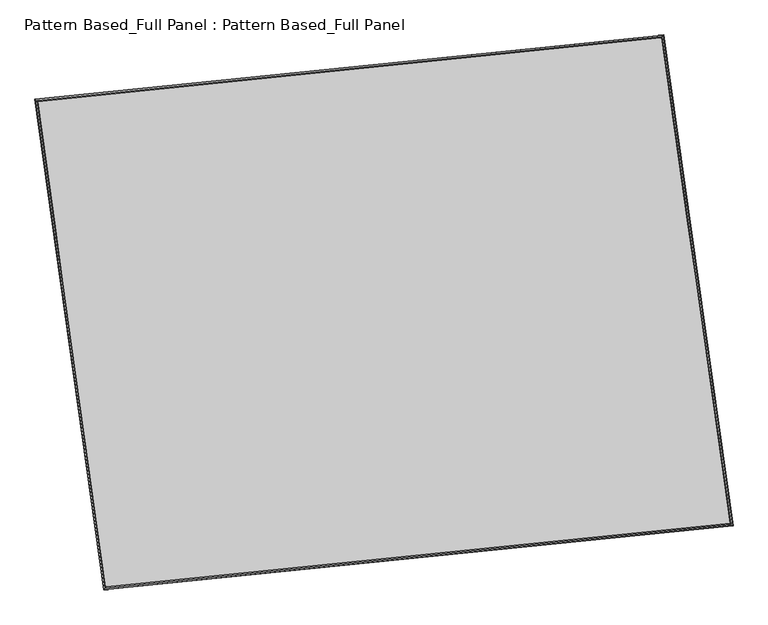
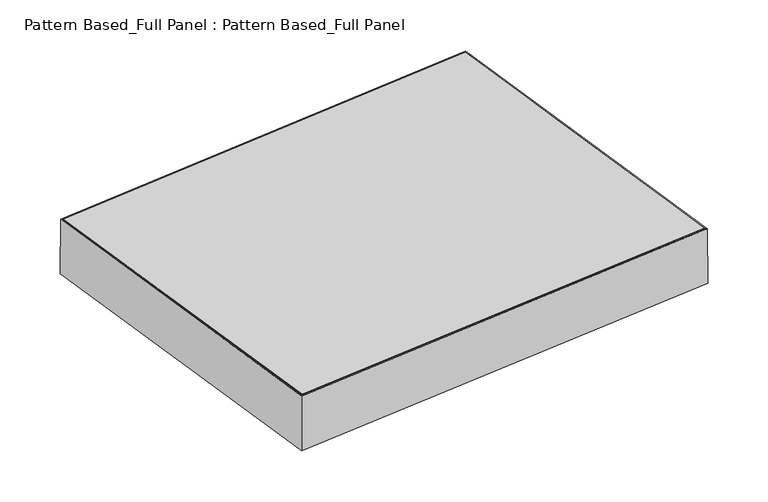
"""IFC4 building model written with IfcOpenShell, lengths in millimetres: plate geometry, Pattern Based_Full Panel : Pattern Based_Full Panel."""

from ifc_helpers import new_model, si_unit, frame, origin, place, context, project, spatial, faceted_brep, source, transform, mapped, element, save
from ifc_brep_helpers import plane_surface, spline_surface, advanced_brep


def pattern_based_full_panel_pattern_based_full_panel_ca952770(model_context):
    return source(origin(), model_context, "Body", "SolidModel", [
        advanced_brep(
        [(3777.039676, 5056.9698812, -153.2705213), (5209.3619872, 5203.966861, -151.5287946), (5209.362046, 5203.966871, -154.7037946), (3777.0397348, 5056.9698912, -156.4455213), (3930.9329609, 3957.4291649, -151.5570357), (3930.9330197, 3957.4291749, -154.7320357), (5365.0199766, 4104.1276705, -153.2427373), (5365.0200354, 4104.1276805, -156.4177373)],
        [
            (0, 1),
            (1, 2),
            (2, 3),
            (3, 0),
            (4, 0),
            (3, 5),
            (5, 4),
            (6, 4),
            (5, 7),
            (7, 6),
            (1, 6),
            (7, 2),
        ],
        [
            plane_surface(frame((4493.2008316, 5130.4683711, -152.3996579), z_axis=(-0.10209218494024018, 0.9947749422721633, 1.2417829933711734e-06), x_axis=(0.9947742146086592, 0.10209210875125448, 0.0012096612944616663))),
            plane_surface(frame((3853.9863185, 4507.1995231, -152.4137785), z_axis=(-0.9903469874018618, -0.13861040434131797, -1.877213499457348e-05), x_axis=(-0.13861021060019868, 0.9903458121688681, -0.001543320107287381))),
            plane_surface(frame((4647.9764688, 4030.7784177, -152.3998865), z_axis=(0.10176296290931029, -0.9948086747603085, -1.247984562789895e-06), x_axis=(-0.9948079944721085, -0.1017628947868521, 0.0011693498114460595))),
            plane_surface(frame((5287.1909819, 4654.0472657, -152.3857659), z_axis=(0.9901329077998874, 0.14013145449654058, 1.8772960324407305e-05), x_axis=(0.1401313163901811, -0.9901317252678143, -0.0015429792404631343))),
            spline_surface(1, 1, [[(5365.0200354, 4104.1276805, -156.4177373), (5209.362046, 5203.966871, -154.7037946)], [(3930.9330197, 3957.4291749, -154.7320357), (3777.0397348, 5056.9698912, -156.4455213)]], [2, 2], [2, 2], [0.0, 1.0], [0.0, 1.0]),
            spline_surface(1, 1, [[(3777.039676, 5056.9698812, -153.2705213), (5209.3619872, 5203.966861, -151.5287946)], [(3930.9329609, 3957.4291649, -151.5570357), (5365.0199766, 4104.1276705, -153.2427373)]], [2, 2], [2, 2], [0.0, 1.0], [0.0, 1.0]),
        ],
        [
            (0, [[1, 2, 3, 4]]),
            (1, [[5, -4, 6, 7]]),
            (2, [[8, -7, 9, 10]]),
            (3, [[11, -10, 12, -2]]),
            (4, [[-12, -9, -6, -3]]),
            (5, [[-1, -5, -8, -11]]),
        ],
    ),
        advanced_brep(
        [(3734.0295721, 5091.086415, -0.9788716), (5242.1462023, 5245.3619841, 0.9788723), (5242.1466735, 5245.3620505, -24.4211277), (3734.0300433, 5091.0864814, -26.3788716), (3898.5038212, 3915.837374, 0.949301), (3898.5042925, 3915.8374403, -24.450699), (5408.4530657, 4070.2983356, -0.9493033), (5408.4535369, 4070.298402, -26.3493033)],
        [
            (0, 1),
            (1, 2),
            (2, 3),
            (3, 0),
            (4, 0),
            (3, 5),
            (5, 4),
            (6, 4),
            (5, 7),
            (7, 6),
            (1, 6),
            (7, 2),
        ],
        [
            plane_surface(frame((4488.0878872, 5168.2241996, 4e-07), z_axis=(-0.10176575783319988, 0.9948083888529125, 7.121781230615099e-07), x_axis=(0.994807559421372, 0.10176567206046667, 0.001291397760221423))),
            plane_surface(frame((3816.2666967, 4503.4618945, -0.0147853), z_axis=(-0.9903487547304375, -0.13859777650763389, -1.873530368223523e-05), x_axis=(-0.13859756343381885, 0.990347451852336, -0.0016248137719893174))),
            plane_surface(frame((4653.4784434, 3993.0678548, -1.1e-06), z_axis=(0.10176440104509278, -0.994808527647118, -7.122036995090453e-07), x_axis=(-0.9948077492832554, -0.10176432231752089, 0.0012508673948175536))),
            plane_surface(frame((5325.299634, 4657.8301599, 0.0147845), z_axis=(0.990132614503359, 0.1401335268439757, 1.8735307860631603e-05), x_axis=(0.14013337205184975, -0.9901313035799283, -0.0016247179724126753))),
            spline_surface(1, 1, [[(5408.4535369, 4070.298402, -26.3493033), (5242.1466735, 5245.3620505, -24.4211277)], [(3898.5042925, 3915.8374403, -24.450699), (3734.0300433, 5091.0864814, -26.3788716)]], [2, 2], [2, 2], [0.0, 1.0], [0.0, 1.0]),
            spline_surface(1, 1, [[(3734.0295721, 5091.086415, -0.9788716), (5242.1462023, 5245.3619841, 0.9788723)], [(3898.5038212, 3915.837374, 0.949301), (5408.4530657, 4070.2983356, -0.9493033)]], [2, 2], [2, 2], [0.0, 1.0], [0.0, 1.0]),
        ],
        [
            (0, [[1, 2, 3, 4]]),
            (1, [[5, -4, 6, 7]]),
            (2, [[8, -7, 9, 10]]),
            (3, [[11, -10, 12, -2]]),
            (4, [[-12, -9, -6, -3]]),
            (5, [[-1, -5, -8, -11]]),
        ],
    ),
        faceted_brep([(5245.381917, 5252.0713502, 0.9946014), (5245.4944844, 5252.2913997, -202.2052904), (3726.5271693, 5096.9062143, -204.1979158), (3726.8324498, 5096.7289092, -0.9974758), (5242.6662964, 5248.6019838, 0.9873737), (3730.4334896, 5093.9057156, -0.9964172), (5242.683885, 5248.6363666, -30.7626094), (3730.3857895, 5093.9334196, -32.7464859), (5207.3808165, 5203.5346035, -30.8565698), (3777.1993069, 5057.2319036, -32.7327234), (5207.4757952, 5203.7202702, -202.3064785), (3776.9417265, 5057.3815048, -204.1830946), (3892.8390569, 3908.5263457, -202.2318763), (3893.0668866, 3908.9024643, 0.967648), (3895.7872258, 3912.3723076, 0.9582956), (3895.7516274, 3912.3135391, -30.7916301), (3931.1160373, 3957.421502, -30.9132121), (3930.923806, 3957.1041519, -202.3628107), (5416.1371959, 4064.3532139, -204.16807), (5415.6599417, 4064.6572054, -0.9676495), (5412.0538146, 4067.4798783, -0.9689606), (5412.1283855, 4067.4323796, -32.7190263), (5365.2487326, 4104.1271275, -32.7360717), (5365.6514158, 4103.8706347, -204.1864265), (5247.9319838, 5252.8299013, -202.2015571), (5247.5733832, 5252.2955298, 0.9974762), (5244.8577678, 5248.8261717, 0.9857539), (5244.9137991, 5248.9096673, -30.764095), (5209.6107983, 5203.8080126, -30.9164848), (5209.9133676, 5204.2588886, -202.3656692), (5247.6859509, 5252.5155797, -202.2026192)], [[[0, 1, 2, 3]], [[4, 0, 3, 5]], [[6, 4, 5, 7]], [[8, 6, 7, 9]], [[10, 8, 9, 11]], [[1, 10, 11, 2]], [[3, 2, 12, 13]], [[5, 3, 13, 14]], [[7, 5, 14, 15]], [[9, 7, 15, 16]], [[11, 9, 16, 17]], [[2, 11, 17, 12]], [[13, 12, 18, 19]], [[14, 13, 19, 20]], [[15, 14, 20, 21]], [[16, 15, 21, 22]], [[17, 16, 22, 23]], [[12, 17, 23, 18]], [[19, 18, 24, 25]], [[20, 19, 25, 26]], [[21, 20, 26, 27]], [[22, 21, 27, 28]], [[23, 22, 28, 29]], [[18, 23, 29, 30, 24]], [[1, 0, 4, 6, 8, 10]], [[24, 30, 29, 28, 27, 26, 25]]]),
        advanced_brep(
        [(5242.1462023, 5245.3619841, 0.9788723), (3734.0295721, 5091.086415, -0.9788716), (3734.0295574, 5091.0864129, -0.1851216), (5242.1461875, 5245.361982, 1.7726223), (3898.5038212, 3915.837374, 0.949301), (3898.5038065, 3915.8373719, 1.743051), (5408.4530657, 4070.2983356, -0.9493033), (5408.4530509, 4070.2983335, -0.1555533)],
        [
            (0, 1),
            (1, 2),
            (2, 3),
            (3, 0),
            (1, 4),
            (4, 5),
            (5, 2),
            (4, 6),
            (6, 7),
            (7, 5),
            (6, 0),
            (3, 7),
        ],
        [
            plane_surface(frame((4488.0878872, 5168.2241996, 4e-07), z_axis=(-0.1017657578331997, 0.9948083888529126, 7.121779818381054e-07), x_axis=(-0.994807559421372, -0.10176567206046667, -0.001291397760221423))),
            plane_surface(frame((3816.2666967, 4503.4618945, -0.0147853), z_axis=(-0.9903487547304375, -0.13859777650763364, -1.8735303516735023e-05), x_axis=(0.13859756343381885, -0.990347451852336, 0.0016248137719893174))),
            plane_surface(frame((4653.4784434, 3993.0678548, -1.1e-06), z_axis=(0.101764401045093, -0.9948085276471179, -7.122035158751484e-07), x_axis=(0.9948077492832554, 0.10176432231752089, -0.0012508673948175536))),
            plane_surface(frame((5325.299634, 4657.8301599, 0.0147845), z_axis=(0.9901326145033588, 0.1401335268439771, 1.873530700145814e-05), x_axis=(-0.14013337205184975, 0.9901313035799283, 0.0016247179724126753))),
            spline_surface(1, 1, [[(3734.0295574, 5091.0864129, -0.1851216), (5242.1461875, 5245.361982, 1.7726223)], [(3898.5038065, 3915.8373719, 1.743051), (5408.4530509, 4070.2983335, -0.1555533)]], [2, 2], [2, 2], [0.0, 1.0], [0.0, 1.0]),
            spline_surface(1, 1, [[(5408.4530657, 4070.2983356, -0.9493033), (5242.1462023, 5245.3619841, 0.9788723)], [(3898.5038212, 3915.837374, 0.949301), (3734.0295721, 5091.086415, -0.9788716)]], [2, 2], [2, 2], [0.0, 1.0], [0.0, 1.0]),
        ],
        [
            (0, [[1, 2, 3, 4]]),
            (1, [[5, 6, 7, -2]]),
            (2, [[8, 9, 10, -6]]),
            (3, [[11, -4, 12, -9]]),
            (4, [[-3, -7, -10, -12]]),
            (5, [[-11, -8, -5, -1]]),
        ],
    ),
    ])


if __name__ == "__main__":
    model = new_model("IFC4")
    model_context = context("Model", 3, world=origin())
    ifc_project = project(units=[si_unit("LENGTHUNIT", "METRE", prefix="MILLI")], contexts=[model_context])
    site = spatial("IfcSite", under=ifc_project)
    building = spatial("IfcBuilding", under=site)
    placement = place(None, origin())
    pattern_based_full_panel_pattern_based_full_panel_shape = pattern_based_full_panel_pattern_based_full_panel_ca952770(model_context)
    element("IfcPlate", 1, ObjectType="Pattern Based_Full Panel : Pattern Based_Full Panel", at=placement, inside=building, context=model_context, shape_type="MappedRepresentation", body=[
        mapped(pattern_based_full_panel_pattern_based_full_panel_shape, transform((0.0, 0.0, 0.0), x_axis=(1.0, 0.0, 0.0), y_axis=(0.0, 1.0, 0.0), z_axis=(0.0, 0.0, 1.0))),
    ])
    save(model, "model.ifc")
